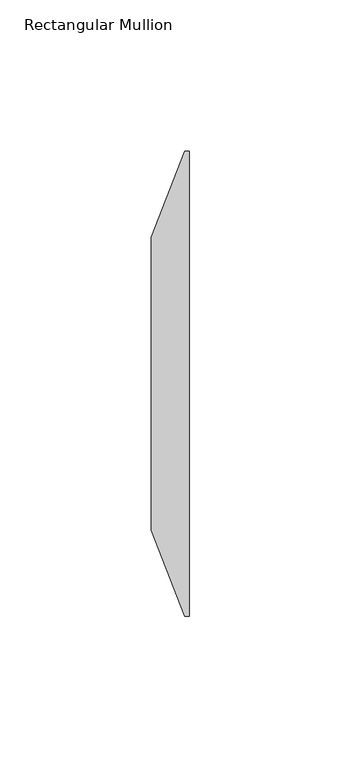
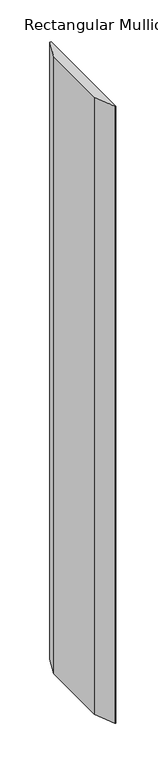
"""IFC4 building model written with IfcOpenShell, lengths in millimetres: member geometry, Rectangular Mullion."""

from ifc_helpers import new_model, si_unit, frame, origin, place, context, project, spatial, polyline, outline, extrude, source, transform, mapped, element, save


def rectangular_mullion_8d772819(model_context):
    return source(origin(), model_context, "Body", "SweptSolid", [
        extrude(outline(polyline([(0.0, -50.8), (-1.5875, -50.8), (-12.7, -22.225), (-12.7, 74.6125), (-1.5875, 103.1875), (0.0, 103.1875), (0.0, -50.8)])), frame((0.0, 0.0, -898.525), z_axis=(0.0, 0.0, 1.0), x_axis=(1.0, 0.0, 0.0)), (0.0, 0.0, 1.0), 898.525),
    ])


if __name__ == "__main__":
    model = new_model("IFC4")
    model_context = context("Model", 3, world=origin())
    ifc_project = project(units=[si_unit("LENGTHUNIT", "METRE", prefix="MILLI")], contexts=[model_context])
    site = spatial("IfcSite", under=ifc_project)
    building = spatial("IfcBuilding", under=site)
    placement = place(None, origin())
    rectangular_mullion_shape = rectangular_mullion_8d772819(model_context)
    element("IfcMember", 1, ObjectType="Rectangular Mullion", at=placement, inside=building, context=model_context, shape_type="MappedRepresentation", body=[
        mapped(rectangular_mullion_shape, transform((0.0, 0.0, 0.0), x_axis=(1.0, 0.0, 0.0), y_axis=(0.0, 1.0, 0.0), z_axis=(0.0, 0.0, 1.0))),
    ])
    save(model, "model.ifc")
